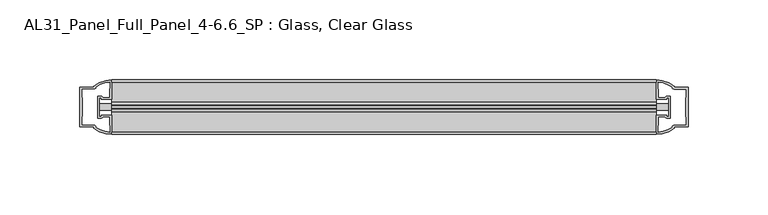
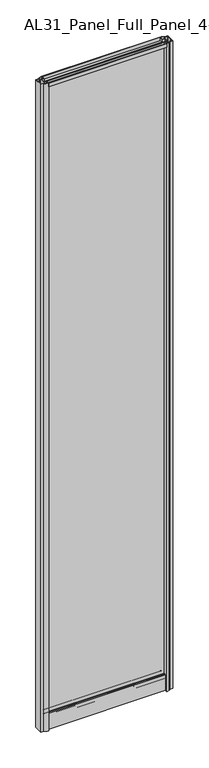
"""IFC4 building model written with IfcOpenShell, lengths in millimetres: plate geometry, AL31_Panel_Full_Panel_4-6.6_SP : Glass, Clear Glass."""

from ifc_helpers import new_model, si_unit, point, frame, frame_2d, origin, origin_with_axes, place, context, project, spatial, polyline, circle_curve, trimmed, segment, composite_curve, outline, extrude, source, transform, mapped, element, save


def al31_panel_full_panel_4_6_6_sp_glass_clear_glass_6343c614(model_context):
    return source(origin(), model_context, "Body", "SweptSolid", [
        extrude(outline(composite_curve([segment(polyline([(-1.4, 1968.8980762), (-0.85, 1967.9454483)]), True, "CONTINUOUS"), segment(trimmed(circle_curve(frame_2d((0.1, 1966.3)), 1.9), [point((-0.85, 1967.9454483))], [point((1.05, 1967.9454483))], True, "CARTESIAN"), True, "CONTINUOUS"), segment(polyline([(1.05, 1967.9454483), (1.6, 1968.8980762)]), True, "CONTINUOUS"), segment(trimmed(circle_curve(frame_2d((0.1, 1966.3)), 3.0), [point((1.6, 1968.8980762))], [point((2.5718414, 1964.6))], False, "CARTESIAN"), True, "CONTINUOUS"), segment(polyline([(2.5718414, 1964.6), (15.7, 1964.6), (15.7, 1974.0), (17.0, 1974.0), (17.0, 1963.5), (6.7024688, 1963.5), (6.7024688, 1962.7), (6.1968782, 1960.7785039), (6.1968782, 1956.1), (5.0, 1956.1), (5.0, 1961.4339746), (5.5, 1962.3), (5.5, 1963.5), (-5.5, 1963.5), (-5.5, 1962.3), (-5.0, 1961.4339746), (-5.0, 1956.1), (-6.1968782, 1956.1), (-6.1968782, 1960.7785039), (-6.7024688, 1962.7), (-6.7024688, 1963.5), (-17.0, 1963.5), (-17.0, 1974.0), (-15.7, 1974.0), (-15.7, 1964.6), (-2.3718414, 1964.6)]), True, "CONTINUOUS"), segment(trimmed(circle_curve(frame_2d((0.1, 1966.3)), 3.0), [point((-2.3718414, 1964.6))], [point((-1.4, 1968.8980762))], False, "CARTESIAN"), True, "CONTINUOUS")], self_intersect=False)), frame((-170.1221781, 0.0, 0.0), z_axis=(1.0, 0.0, 0.0), x_axis=(0.0, 1.0, 0.0)), (0.0, 0.0, 1.0), 340.2443563),
        extrude(outline(composite_curve([segment(polyline([(-177.9635995, -5.9), (-176.7635995, -5.9), (-176.7635995, -5.0), (-170.1221781, -5.0), (-170.1221781, -17.0001453)]), True, "CONTINUOUS"), segment(trimmed(circle_curve(frame_2d((-169.7575265, 2.9965302)), 20.0), [point((-170.1221781, -17.0001453))], [point((-181.4780133, -13.2093388))], False, "CARTESIAN"), True, "CONTINUOUS"), segment(polyline([(-181.4780133, -13.2093388), (-181.4780133, -12.3279343), (-190.1221781, -12.3279343), (-190.1221781, 12.3720657), (-181.4780133, 12.3720657), (-181.4780133, 13.2095249)]), True, "CONTINUOUS"), segment(trimmed(circle_curve(frame_2d((-169.7575265, -2.9963441)), 20.0), [point((-181.4780133, 13.2095249))], [point((-170.1221781, 17.0003314))], False, "CARTESIAN"), True, "CONTINUOUS"), segment(polyline([(-170.1221781, 17.0003314), (-170.1221781, 5.0), (-176.7635995, 5.0), (-176.7635995, 5.9), (-177.9635995, 5.9), (-177.9635995, -5.9)]), True, "CONTINUOUS")], self_intersect=False), holes=[composite_curve([segment(trimmed(circle_curve(frame_2d((-176.9635995, 5.7)), 1.5), [point((-176.9635995, 7.2))], [point((-175.6083452, 6.3428731))], False, "CARTESIAN"), True, "CONTINUOUS"), segment(polyline([(-175.6083452, 6.3428731), (-171.8635995, 6.3428731), (-171.8635995, 10.939223), (-171.4242597, 11.9998832), (-171.4242597, 15.6499817)]), True, "CONTINUOUS"), segment(trimmed(circle_curve(frame_2d((-169.7575265, -2.9755921)), 18.7), [point((-171.4242597, 15.6499817))], [point((-179.7643043, 12.8216987))], True, "CARTESIAN"), True, "CONTINUOUS"), segment(trimmed(circle_curve(frame_2d((-181.5635995, 12.8720657)), 1.8), [point((-179.7643043, 12.8216987))], [point((-181.5635995, 11.0720657))], False, "CARTESIAN"), True, "CONTINUOUS"), segment(polyline([(-181.5635995, 11.0720657), (-188.7050208, 11.0720657), (-188.7050208, 6.5019606), (-188.2635995, 5.439223), (-188.2635995, -5.3950916), (-188.7635995, -6.3879987), (-188.7635995, -11.0279343), (-181.5635995, -11.0279343)]), True, "CONTINUOUS"), segment(trimmed(circle_curve(frame_2d((-181.5635995, -12.8279343)), 1.8), [point((-181.5635995, -11.0279343))], [point((-179.7643043, -12.7775673))], False, "CARTESIAN"), True, "CONTINUOUS"), segment(trimmed(circle_curve(frame_2d((-169.7575265, 3.0197235)), 18.7), [point((-179.7643043, -12.7775673))], [point((-171.4242597, -15.6058503))], True, "CARTESIAN"), True, "CONTINUOUS"), segment(polyline([(-171.4242597, -15.6058503), (-171.4242597, -11.9557518), (-171.8635995, -10.8950916), (-171.8635995, -6.2991308), (-175.5884478, -6.2991308)]), True, "CONTINUOUS"), segment(trimmed(circle_curve(frame_2d((-176.9635995, -5.7)), 1.5), [point((-175.5884478, -6.2991308))], [point((-176.9635995, -7.2))], False, "CARTESIAN"), True, "CONTINUOUS"), segment(polyline([(-176.9635995, -7.2), (-179.2635995, -7.2), (-179.2635995, 7.2), (-176.9635995, 7.2)]), True, "CONTINUOUS")], self_intersect=False)]), origin_with_axes(), (0.0, 0.0, 1.0), 1974.0),
        extrude(outline(composite_curve([segment(polyline([(177.9635995, 5.9), (176.7635995, 5.9), (176.7635995, 5.0), (170.1221781, 5.0), (170.1221781, 17.0001453)]), True, "CONTINUOUS"), segment(trimmed(circle_curve(frame_2d((169.7575265, -2.9965302)), 20.0), [point((170.1221781, 17.0001453))], [point((181.4780133, 13.2093388))], False, "CARTESIAN"), True, "CONTINUOUS"), segment(polyline([(181.4780133, 13.2093388), (181.4780133, 12.3279343), (190.1221781, 12.3279343), (190.1221781, -12.3720657), (181.4780133, -12.3720657), (181.4780133, -13.2095249)]), True, "CONTINUOUS"), segment(trimmed(circle_curve(frame_2d((169.7575265, 2.9963441)), 20.0), [point((181.4780133, -13.2095249))], [point((170.1221781, -17.0003314))], False, "CARTESIAN"), True, "CONTINUOUS"), segment(polyline([(170.1221781, -17.0003314), (170.1221781, -5.0), (176.7635995, -5.0), (176.7635995, -5.9), (177.9635995, -5.9), (177.9635995, 5.9)]), True, "CONTINUOUS")], self_intersect=False), holes=[composite_curve([segment(trimmed(circle_curve(frame_2d((176.9635995, -5.7)), 1.5), [point((176.9635995, -7.2))], [point((175.6083452, -6.3428731))], False, "CARTESIAN"), True, "CONTINUOUS"), segment(polyline([(175.6083452, -6.3428731), (171.8635995, -6.3428731), (171.8635995, -10.939223), (171.4242597, -11.9998832), (171.4242597, -15.6499817)]), True, "CONTINUOUS"), segment(trimmed(circle_curve(frame_2d((169.7575265, 2.9755921)), 18.7), [point((171.4242597, -15.6499817))], [point((179.7643043, -12.8216987))], True, "CARTESIAN"), True, "CONTINUOUS"), segment(trimmed(circle_curve(frame_2d((181.5635995, -12.8720657)), 1.8), [point((179.7643043, -12.8216987))], [point((181.5635995, -11.0720657))], False, "CARTESIAN"), True, "CONTINUOUS"), segment(polyline([(181.5635995, -11.0720657), (188.7050208, -11.0720657), (188.7050208, -6.5019606), (188.2635995, -5.439223), (188.2635995, 5.3950916), (188.7635995, 6.3879987), (188.7635995, 11.0279343), (181.5635995, 11.0279343)]), True, "CONTINUOUS"), segment(trimmed(circle_curve(frame_2d((181.5635995, 12.8279343)), 1.8), [point((181.5635995, 11.0279343))], [point((179.7643043, 12.7775673))], False, "CARTESIAN"), True, "CONTINUOUS"), segment(trimmed(circle_curve(frame_2d((169.7575265, -3.0197235)), 18.7), [point((179.7643043, 12.7775673))], [point((171.4242597, 15.6058503))], True, "CARTESIAN"), True, "CONTINUOUS"), segment(polyline([(171.4242597, 15.6058503), (171.4242597, 11.9557518), (171.8635995, 10.8950916), (171.8635995, 6.2991308), (175.5884478, 6.2991308)]), True, "CONTINUOUS"), segment(trimmed(circle_curve(frame_2d((176.9635995, 5.7)), 1.5), [point((175.5884478, 6.2991308))], [point((176.9635995, 7.2))], False, "CARTESIAN"), True, "CONTINUOUS"), segment(polyline([(176.9635995, 7.2), (179.2635995, 7.2), (179.2635995, -7.2), (176.9635995, -7.2)]), True, "CONTINUOUS")], self_intersect=False)]), origin_with_axes(), (0.0, 0.0, 1.0), 1974.0),
        extrude(outline(composite_curve([segment(trimmed(circle_curve(frame_2d((-8.4, 34.8)), 1.0), [point((-8.4, 35.8))], [point((-9.4, 34.8))], True, "CARTESIAN"), True, "CONTINUOUS"), segment(polyline([(-9.4, 34.8), (-9.4, 33.5), (-5.0000303, 33.5), (-5.0000303, 32.3), (-9.4, 32.3), (-9.4, 0.0), (-10.6, 0.0), (-10.6, 47.3)]), True, "CONTINUOUS"), segment(trimmed(circle_curve(frame_2d((-8.6, 47.3)), 2.0), [point((-10.6, 47.3))], [point((-8.6, 49.3))], False, "CARTESIAN"), True, "CONTINUOUS"), segment(polyline([(-8.6, 49.3), (-5.0, 49.3), (-5.0, 41.9), (5.0, 41.9), (5.0, 49.3), (8.6, 49.3)]), True, "CONTINUOUS"), segment(trimmed(circle_curve(frame_2d((8.6, 47.3)), 2.0), [point((8.6, 49.3))], [point((10.6, 47.3))], False, "CARTESIAN"), True, "CONTINUOUS"), segment(polyline([(10.6, 47.3), (10.6, 0.0), (9.4, 0.0), (9.4, 32.3), (4.9999697, 32.3), (4.9999697, 33.5), (9.4, 33.5), (9.4, 34.8)]), True, "CONTINUOUS"), segment(trimmed(circle_curve(frame_2d((8.4, 34.8)), 1.0), [point((9.4, 34.8))], [point((8.4, 35.8))], True, "CARTESIAN"), True, "CONTINUOUS"), segment(polyline([(8.4, 35.8), (-8.4, 35.8)]), True, "CONTINUOUS")], self_intersect=False), holes=[composite_curve([segment(trimmed(circle_curve(frame_2d((5.5024688, 41.8)), 1.0), [point((6.5024688, 41.8))], [point((5.5024688, 40.8))], False, "CARTESIAN"), True, "CONTINUOUS"), segment(polyline([(5.5024688, 40.8), (2.8008965, 40.8), (2.8008965, 39.7274194), (1.8370508, 39.7274194)]), True, "CONTINUOUS"), segment(trimmed(circle_curve(frame_2d((0.0, 38.7)), 2.1048387), [point((1.8370508, 39.7274194))], [point((-1.8370508, 39.7274194))], True, "CARTESIAN"), True, "CONTINUOUS"), segment(polyline([(-1.8370508, 39.7274194), (-2.8008965, 39.7274194), (-2.8008965, 40.8), (-5.5024688, 40.8)]), True, "CONTINUOUS"), segment(trimmed(circle_curve(frame_2d((-5.5024688, 41.8)), 1.0), [point((-5.5024688, 40.8))], [point((-6.5024688, 41.8))], False, "CARTESIAN"), True, "CONTINUOUS"), segment(polyline([(-6.5024688, 41.8), (-6.5024688, 42.7)]), True, "CONTINUOUS"), segment(trimmed(circle_curve(frame_2d((-5.3024688, 42.7)), 1.2), [point((-6.5024688, 42.7))], [point((-6.1198184, 43.5786009))], False, "CARTESIAN"), True, "CONTINUOUS"), segment(polyline([(-6.1198184, 43.5786009), (-6.1198184, 48.2), (-8.4, 48.2)]), True, "CONTINUOUS"), segment(trimmed(circle_curve(frame_2d((-8.4, 47.2)), 1.0), [point((-8.4, 48.2))], [point((-9.4, 47.2))], True, "CARTESIAN"), True, "CONTINUOUS"), segment(polyline([(-9.4, 47.2), (-9.4, 37.04), (-2.8008965, 37.04), (-2.8008965, 38.0725806), (-1.8370508, 38.0725806)]), True, "CONTINUOUS"), segment(trimmed(circle_curve(frame_2d((0.0, 39.1)), 2.1048387), [point((-1.8370508, 38.0725806))], [point((1.8370508, 38.0725806))], True, "CARTESIAN"), True, "CONTINUOUS"), segment(polyline([(1.8370508, 38.0725806), (2.8008965, 38.0725806), (2.8008965, 37.04), (9.4, 37.04), (9.4, 47.2)]), True, "CONTINUOUS"), segment(trimmed(circle_curve(frame_2d((8.4, 47.2)), 1.0), [point((9.4, 47.2))], [point((8.4, 48.2))], True, "CARTESIAN"), True, "CONTINUOUS"), segment(polyline([(8.4, 48.2), (6.1198184, 48.2), (6.1198184, 43.7786009)]), True, "CONTINUOUS"), segment(trimmed(circle_curve(frame_2d((5.3024688, 42.9)), 1.2), [point((6.1198184, 43.7786009))], [point((6.5024688, 42.9))], False, "CARTESIAN"), True, "CONTINUOUS"), segment(polyline([(6.5024688, 42.9), (6.5024688, 41.8)]), True, "CONTINUOUS")], self_intersect=False)]), frame((-170.1221781, 0.0, 0.0), z_axis=(1.0, 0.0, 0.0), x_axis=(0.0, 1.0, 0.0)), (0.0, 0.0, 1.0), 340.2443563),
        extrude(outline(polyline([(177.9635995, 2.0), (177.9635995, -2.0), (-177.9635995, -2.0), (-177.9635995, 2.0), (177.9635995, 2.0)])), frame((0.0, 0.0, 41.9), z_axis=(0.0, 0.0, 1.0), x_axis=(1.0, 0.0, 0.0)), (0.0, 0.0, 1.0), 1921.6),
    ])


if __name__ == "__main__":
    model = new_model("IFC4")
    model_context = context("Model", 3, world=origin())
    ifc_project = project(units=[si_unit("LENGTHUNIT", "METRE", prefix="MILLI")], contexts=[model_context])
    site = spatial("IfcSite", under=ifc_project)
    building = spatial("IfcBuilding", under=site)
    placement = place(None, origin())
    al31_panel_full_panel_4_6_6_sp_glass_clear_glass_shape = al31_panel_full_panel_4_6_6_sp_glass_clear_glass_6343c614(model_context)
    element("IfcPlate", 1, ObjectType="AL31_Panel_Full_Panel_4-6.6_SP : Glass, Clear Glass", at=placement, inside=building, context=model_context, shape_type="MappedRepresentation", body=[
        mapped(al31_panel_full_panel_4_6_6_sp_glass_clear_glass_shape, transform((0.0, 0.0, 0.0), x_axis=(1.0, 0.0, 0.0), y_axis=(0.0, 1.0, 0.0), z_axis=(0.0, 0.0, 1.0))),
    ])
    save(model, "model.ifc")
